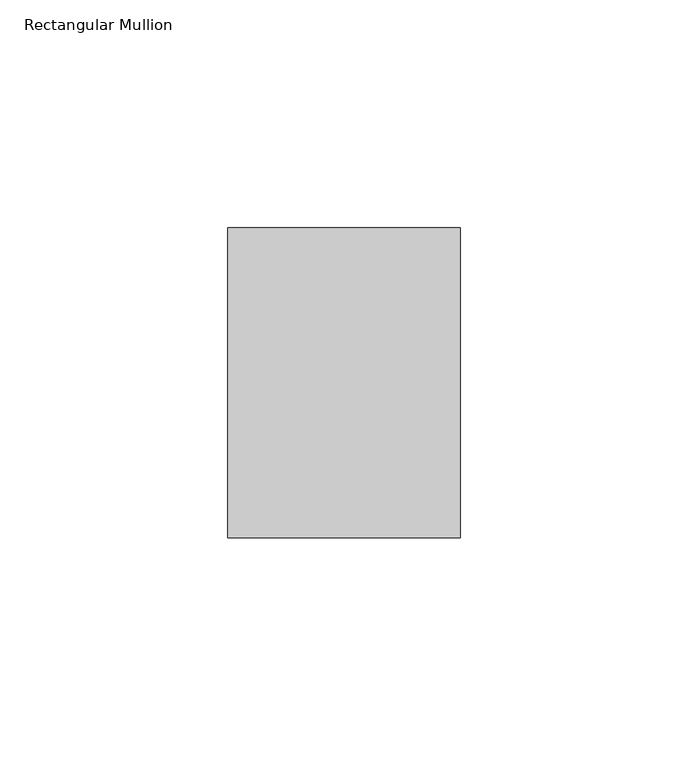
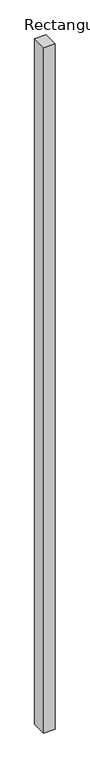
"""IFC4 building model written with IfcOpenShell, lengths in millimetres: member geometry, Rectangular Mullion."""

from ifc_helpers import new_model, si_unit, frame, origin, place, context, project, spatial, polyline, outline, extrude, source, transform, mapped, element, save


def rectangular_mullion_dda7bcd5(model_context):
    return source(origin(), model_context, "Body", "SweptSolid", [
        extrude(outline(polyline([(0.0, 68.0), (0.0, 0.0), (-51.0, 0.0), (-51.0, 68.0), (0.0, 68.0)])), frame((0.0, 0.0, -3200.0), z_axis=(0.0, 0.0, 1.0), x_axis=(1.0, 0.0, 0.0)), (0.0, 0.0, 1.0), 3200.0),
    ])


if __name__ == "__main__":
    model = new_model("IFC4")
    model_context = context("Model", 3, world=origin())
    ifc_project = project(units=[si_unit("LENGTHUNIT", "METRE", prefix="MILLI")], contexts=[model_context])
    site = spatial("IfcSite", under=ifc_project)
    building = spatial("IfcBuilding", under=site)
    placement = place(None, origin())
    rectangular_mullion_shape = rectangular_mullion_dda7bcd5(model_context)
    element("IfcMember", 1, ObjectType="Rectangular Mullion", at=placement, inside=building, context=model_context, shape_type="MappedRepresentation", body=[
        mapped(rectangular_mullion_shape, transform((0.0, 0.0, 0.0), x_axis=(1.0, 0.0, 0.0), y_axis=(0.0, 1.0, 0.0), z_axis=(0.0, 0.0, 1.0))),
    ])
    save(model, "model.ifc")
